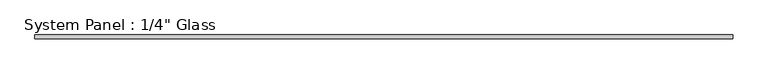
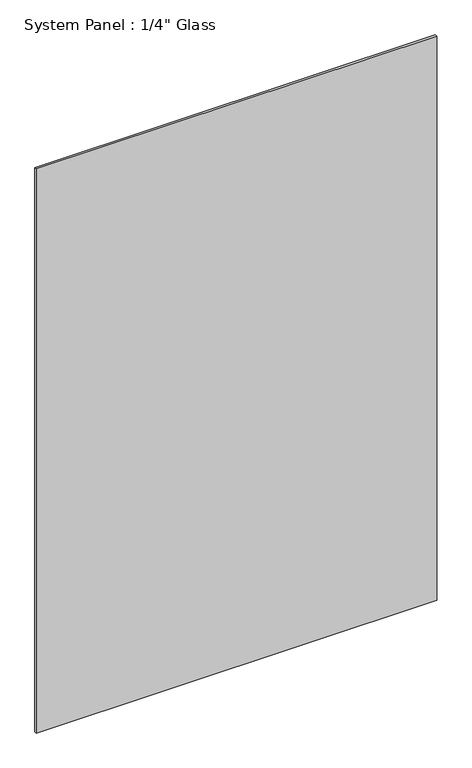
"""IFC4 building model written with IfcOpenShell, lengths in millimetres: plate geometry."""

from ifc_helpers import new_model, si_unit, origin, origin_with_axes, place, context, project, spatial, polyline, outline, extrude, source, transform, mapped, element, save


def plate_71ffc15d(model_context):
    return source(origin(), model_context, "Body", "SweptSolid", [
        extrude(outline(polyline([(584.0817046, -3.175), (-584.0817046, -3.175), (-584.0817046, 3.175), (584.0817046, 3.175), (584.0817046, -3.175)])), origin_with_axes(), (0.0, 0.0, 1.0), 1739.9),
    ])


if __name__ == "__main__":
    model = new_model("IFC4")
    model_context = context("Model", 3, world=origin())
    ifc_project = project(units=[si_unit("LENGTHUNIT", "METRE", prefix="MILLI")], contexts=[model_context])
    site = spatial("IfcSite", under=ifc_project)
    building = spatial("IfcBuilding", under=site)
    placement = place(None, origin())
    plate_shape = plate_71ffc15d(model_context)
    element("IfcPlate", 1, ObjectType="System Panel : 1/4\" Glass", at=placement, inside=building, context=model_context, shape_type="MappedRepresentation", body=[
        mapped(plate_shape, transform((0.0, 0.0, 0.0), x_axis=(1.0, 0.0, 0.0), y_axis=(0.0, 1.0, 0.0), z_axis=(0.0, 0.0, 1.0))),
    ])
    save(model, "model.ifc")
